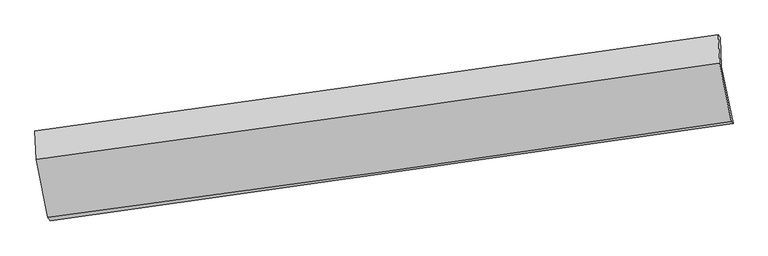
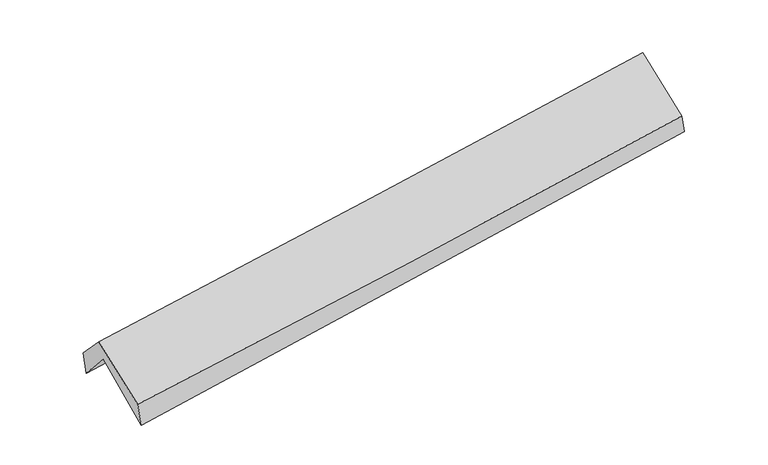
"""IFC4 building model written with IfcOpenShell, lengths in millimetres: proxy geometry."""

from ifc_helpers import new_model, si_unit, frame, origin, place, context, project, spatial, source, transform, mapped, element, save
from ifc_brep_helpers import plane_surface, spline_curve, spline_surface, advanced_brep


def generic_models_cba966a0(model_context):
    return source(origin(), model_context, "Body", "AdvancedBrep", [
        advanced_brep(
        [(-2907.5320749, -2506.4644151, 1426.2352625), (-3010.3695418, -2015.4171059, 1877.2115868), (2951.3201558, -1157.3660527, 2390.0198549), (3054.0675004, -1658.0732577, 1957.0136665), (-3022.6211865, -1746.1379171, 1563.8113808), (2941.0638548, -905.0872773, 2080.8851411), (-3042.2447923, -1721.4948078, 1770.1532422), (2925.6550279, -880.3422167, 2233.5121002), (-3029.0486032, -1970.5821941, 2036.3859723), (2937.2840016, -1128.7238065, 2518.4227084), (-2928.5691164, -2475.9202631, 1640.2526901), (3038.7960567, -1638.9838503, 2117.7464281)],
        [
            (0, 1),
            (1, 2, spline_curve(3, [(-3010.3695418, -2015.4171059, 1877.2115868), (-2017.05156653, -1868.706646759, 1960.106149512), (-1023.58902554, -1723.847712213, 2044.287105584), (963.640868828, -1437.83063619, 2215.223154494), (1957.408227181, -1296.672552633, 2301.97828744), (2951.3201558, -1157.3660527, 2390.0198549)], [4, 2, 4], [0.0, 9.916185199486499, 19.832526900004172])),
            (2, 3),
            (3, 0, spline_curve(3, [(3054.0675004, -1658.0732577, 1957.0136665), (2060.677191187, -1801.604927048, 1869.705640254), (1067.178150911, -1944.070574358, 1781.819740149), (-920.021711061, -2226.867593054, 1604.893587198), (-1913.722529209, -2367.198998389, 1515.853352785), (-2907.5320749, -2506.4644151, 1426.2352625)], [4, 2, 4], [0.0, 9.916341700517673, 19.832526900004172])),
            (1, 4),
            (4, 5, spline_curve(3, [(-3022.6211865, -1746.1379171, 1563.8113808), (-2028.576957453, -1602.050423611, 1642.049478504), (-1034.585010525, -1459.919661077, 1724.257636089), (953.310004662, -1179.569386043, 1896.615431008), (1947.213071963, -1041.349935269, 1986.765193295), (2941.0638548, -905.0872773, 2080.8851411)], [4, 2, 4], [0.0, 9.916119767478085, 19.83239603495467])),
            (5, 2),
            (4, 6),
            (6, 7, spline_curve(3, [(-3042.2447923, -1721.4948078, 1770.1532422), (-2046.282518949, -1582.877423016, 1833.555499635), (-1050.980316376, -1443.473241003, 1903.869507156), (938.319644399, -1163.089068649, 2058.32224145), (1932.317382135, -1022.109053895, 2142.461186689), (2925.6550279, -880.3422167, 2233.5121002)], [4, 2, 4], [0.0, 9.915920590863664, 19.831997678582347])),
            (7, 5),
            (6, 8),
            (8, 9, spline_curve(3, [(-3029.0486032, -1970.5821941, 2036.3859723), (-2033.689294103, -1835.470207494, 2113.552871783), (-1038.819175056, -1697.75992244, 2192.305719714), (949.958375157, -1417.140542156, 2352.984582024), (1943.86579146, -1274.231364496, 2434.910645601), (2937.2840016, -1128.7238065, 2518.4227084)], [4, 2, 4], [0.0, 9.915824390145142, 19.831805275627026])),
            (9, 7),
            (8, 10),
            (10, 11, spline_curve(3, [(-2928.5691164, -2475.9202631, 1640.2526901), (-1932.208818071, -2345.705680218, 1713.234921222), (-936.752154794, -2210.854274702, 1789.516841432), (1052.369598211, -1931.875616842, 1948.681316555), (2046.034659303, -1787.748218065, 2031.563975496), (3038.7960567, -1638.9838503, 2117.7464281)], [4, 2, 4], [0.0, 9.915833360221189, 19.83182321592069])),
            (11, 9),
            (10, 0),
            (3, 11),
        ],
        [
            spline_surface(3, 3, [[(-2907.5320749, -2506.4644151, 1426.2352625), (-1913.722529051, -2367.198998334, 1515.853352853), (-920.021711018, -2226.867593117, 1604.893587215), (1067.178150869, -1944.070574295, 1781.819740132), (2060.677191226, -1801.604927052, 1869.705640415), (3054.0675004, -1658.0732577, 1957.0136665)], [(-2941.811230523, -2342.78197872, 1576.560703933), (-1948.165541545, -2201.034881142, 1663.93761836), (-954.544149237, -2059.194299521, 1751.358093355), (1032.665723571, -1775.323928244, 1926.287544896), (2026.254203238, -1633.294135645, 2013.796522784), (3019.818385534, -1491.170856045, 2101.349062648)], [(-2976.090386177, -2179.09954228, 1726.886145367), (-1982.608554071, -2034.870763888, 1812.02188387), (-989.066587462, -1891.521005891, 1897.822599505), (998.153296267, -1606.577282159, 2070.75534967), (1991.831215247, -1464.983344202, 2157.88740511), (2985.569270666, -1324.268454355, 2245.684458752)], [(-3010.3695418, -2015.4171059, 1877.2115868), (-2017.051566565, -1868.706646695, 1960.106149378), (-1023.589025681, -1723.847712295, 2044.287105645), (963.640868969, -1437.830636107, 2215.223154433), (1957.40822726, -1296.672552796, 2301.97828748), (2951.3201558, -1157.3660527, 2390.0198549)]], [4, 4], [4, 2, 4], [0.0, 2.215035990442014], [0.0, 9.916185199486499, 19.832526900004172]),
            spline_surface(3, 3, [[(-3010.3695418, -2015.4171059, 1877.2115868), (-2017.051566565, -1868.706646695, 1960.106149378), (-1023.589025681, -1723.847712295, 2044.287105645), (963.640868969, -1437.830636107, 2215.223154433), (1957.40822726, -1296.672552796, 2301.97828748), (2951.3201558, -1157.3660527, 2390.0198549)], [(-3014.453423348, -1925.657376286, 1772.744851479), (-2020.893363488, -1779.821238958, 1854.08725912), (-1027.254354, -1635.871695198, 1937.610615818), (960.197247564, -1351.743552724, 2109.020579943), (1954.009842096, -1211.565013593, 2196.907256132), (2947.901388785, -1073.273127548, 2286.974950299)], [(-3018.537304952, -1835.897646714, 1668.278116121), (-2024.735160467, -1690.935831263, 1748.068368824), (-1030.91968231, -1547.89567818, 1830.934125977), (956.75362617, -1265.65646942, 2002.818005438), (1950.611456978, -1126.457474446, 2091.836224787), (2944.482621815, -989.180202452, 2183.930045701)], [(-3022.6211865, -1746.1379171, 1563.8113808), (-2028.576957391, -1602.050423526, 1642.049478567), (-1034.58501063, -1459.919661083, 1724.25763615), (953.310004766, -1179.569386037, 1896.615430947), (1947.213071814, -1041.349935243, 1986.765193439), (2941.0638548, -905.0872773, 2080.8851411)]], [4, 4], [4, 2, 4], [0.0, 1.3537131082350176], [0.0, 9.916119767478085, 19.83239603495467]),
            spline_surface(3, 3, [[(-3022.6211865, -1746.1379171, 1563.8113808), (-2028.576957391, -1602.050423526, 1642.049478567), (-1034.58501063, -1459.919661083, 1724.25763615), (953.310004766, -1179.569386037, 1896.615430947), (1947.213071814, -1041.349935243, 1986.765193439), (2941.0638548, -905.0872773, 2080.8851411)], [(-3029.162388454, -1737.923547344, 1632.592001262), (-2034.478811246, -1595.659423406, 1705.884818874), (-1040.050112567, -1454.437521038, 1784.128259797), (948.313218, -1174.075946932, 1950.517701165), (1942.247841906, -1034.936308136, 2038.66385784), (2935.927579174, -896.838923764, 2131.760794131)], [(-3035.703590346, -1729.709177556, 1701.372621738), (-2040.380665038, -1589.268423253, 1769.720159194), (-1045.515214506, -1448.955380984, 1843.998883401), (943.316431232, -1168.582507818, 2004.419971341), (1937.282611976, -1028.522681037, 2090.56252225), (2930.791303526, -888.590570236, 2182.636447169)], [(-3042.2447923, -1721.4948078, 1770.1532422), (-2046.282518894, -1582.877423133, 1833.555499501), (-1050.980316443, -1443.473240939, 1903.869507048), (938.319644466, -1163.089068713, 2058.322241559), (1932.317382068, -1022.10905393, 2142.461186651), (2925.6550279, -880.3422167, 2233.5121002)]], [4, 4], [4, 2, 4], [0.0, 0.5648561130781654], [0.0, 9.915920590863664, 19.831997678582347]),
            spline_surface(3, 3, [[(-3042.2447923, -1721.4948078, 1770.1532422), (-2046.282518894, -1582.877423133, 1833.555499501), (-1050.980316443, -1443.473240939, 1903.869507048), (938.319644466, -1163.089068713, 2058.322241559), (1932.317382068, -1022.10905393, 2142.461186651), (2925.6550279, -880.3422167, 2233.5121002)], [(-3037.846062588, -1804.523936542, 1858.897485572), (-2042.084777241, -1667.075017875, 1926.887956887), (-1046.926602687, -1528.235468146, 2000.014911304), (942.199221379, -1247.77289316, 2156.54302164), (1936.166851833, -1106.149824094, 2239.944339651), (2929.531352477, -963.136079986, 2328.482302938)], [(-3033.447332912, -1887.553065358, 1947.641728928), (-2037.887035623, -1751.272612689, 2020.220414259), (-1042.872888896, -1612.997695343, 2096.160315619), (946.078798327, -1332.456717599, 2254.763801781), (1940.016321567, -1190.1905942, 2337.427492637), (2933.407677023, -1045.929943214, 2423.452505662)], [(-3029.0486032, -1970.5821941, 2036.3859723), (-2033.68929397, -1835.470207431, 2113.552871645), (-1038.81917514, -1697.75992255, 2192.305719875), (949.95837524, -1417.140542047, 2352.984581862), (1943.865791332, -1274.231364364, 2434.910645637), (2937.2840016, -1128.7238065, 2518.4227084)]], [4, 4], [4, 2, 4], [0.0, 1.26958133966007], [0.0, 9.915824390145142, 19.831805275627026]),
            spline_surface(3, 3, [[(-3029.0486032, -1970.5821941, 2036.3859723), (-2033.68929397, -1835.470207431, 2113.552871645), (-1038.81917514, -1697.75992255, 2192.305719875), (949.95837524, -1417.140542047, 2352.984581862), (1943.865791332, -1274.231364364, 2434.910645637), (2937.2840016, -1128.7238065, 2518.4227084)], [(-2995.555440935, -2139.028217122, 1904.341544913), (-1999.862468653, -2005.548698396, 1980.113554812), (-1004.796834982, -1868.79137329, 2058.042760413), (984.095449565, -1588.718900318, 2218.216826795), (1977.922080623, -1445.403648942, 2300.461755626), (2971.121353286, -1298.810487767, 2384.863948293)], [(-2962.062278665, -2307.474240078, 1772.297117487), (-1966.035643333, -2175.627189295, 1846.674237938), (-970.774494891, -2039.822823987, 1923.77980087), (1018.232523825, -1760.297258545, 2083.449071647), (2011.978369957, -1616.575933517, 2166.012865635), (3004.958705014, -1468.897169033, 2251.305188207)], [(-2928.5691164, -2475.9202631, 1640.2526901), (-1932.208818016, -2345.70568026, 1713.234921105), (-936.752154733, -2210.854274728, 1789.516841408), (1052.36959815, -1931.875616816, 1948.68131658), (2046.034659247, -1787.748218094, 2031.563975623), (3038.7960567, -1638.9838503, 2117.7464281)]], [4, 4], [4, 2, 4], [0.0, 2.1698499481115876], [0.0, 9.915833360221189, 19.83182321592069]),
            spline_surface(3, 3, [[(-2928.5691164, -2475.9202631, 1640.2526901), (-1932.208818016, -2345.70568026, 1713.234921105), (-936.752154733, -2210.854274728, 1789.516841408), (1052.36959815, -1931.875616816, 1948.68131658), (2046.034659247, -1787.748218094, 2031.563975623), (3038.7960567, -1638.9838503, 2117.7464281)], [(-2921.556769252, -2486.101647085, 1568.913547541), (-1926.046721713, -2352.870119603, 1647.441064995), (-931.175340171, -2216.192047518, 1727.975756654), (1057.30578238, -1935.940602637, 1893.060791075), (2050.915503251, -1792.367121069, 1977.611197212), (3043.886537944, -1645.346986089, 2064.168840892)], [(-2914.544422048, -2496.283031115, 1497.574405059), (-1919.884625354, -2360.034558991, 1581.647208963), (-925.59852558, -2221.529820326, 1666.434671968), (1062.241966639, -1940.005588475, 1837.440265637), (2055.796347222, -1796.986024077, 1923.658418826), (3048.977019156, -1651.710121911, 2010.591253708)], [(-2907.5320749, -2506.4644151, 1426.2352625), (-1913.722529051, -2367.198998334, 1515.853352853), (-920.021711018, -2226.867593117, 1604.893587215), (1067.178150869, -1944.070574295, 1781.819740132), (2060.677191226, -1801.604927052, 1869.705640415), (3054.0675004, -1658.0732577, 1957.0136665)]], [4, 4], [4, 2, 4], [0.0, 0.5807452662227165], [0.0, 9.915947618303655, 19.832051733888886]),
            plane_surface(frame((2974.6977662, -1228.0960769, 2216.2666499), z_axis=(0.9877293485728185, 0.13544046993015782, 0.07775997089128772), x_axis=(0.15458681773748525, -0.7770454094899869, -0.6101666554084515))),
            plane_surface(frame((-2990.0642192, -2072.6694505, 1719.0083558), z_axis=(-0.9877293485729858, -0.13544046992553316, -0.07775997089721517), x_axis=(-0.09685241922719809, 0.1406221981288987, 0.9853146737379058))),
        ],
        [
            (0, [[1, 2, 3, 4]]),
            (1, [[5, 6, 7, -2]]),
            (2, [[8, 9, 10, -6]]),
            (3, [[11, 12, 13, -9]]),
            (4, [[14, 15, 16, -12]]),
            (5, [[17, -4, 18, -15]]),
            (6, [[-16, -18, -3, -7, -10, -13]]),
            (7, [[-17, -14, -11, -8, -5, -1]]),
        ],
    ),
    ])


if __name__ == "__main__":
    model = new_model("IFC4")
    model_context = context("Model", 3, world=origin())
    ifc_project = project(units=[si_unit("LENGTHUNIT", "METRE", prefix="MILLI")], contexts=[model_context])
    site = spatial("IfcSite", under=ifc_project)
    building = spatial("IfcBuilding", under=site)
    placement = place(None, origin())
    generic_models_shape = generic_models_cba966a0(model_context)
    element("IfcBuildingElementProxy", 1, Name="Generic Models", at=placement, inside=building, context=model_context, shape_type="MappedRepresentation", body=[
        mapped(generic_models_shape, transform((0.0, 0.0, 0.0), x_axis=(1.0, 0.0, 0.0), y_axis=(0.0, 1.0, 0.0), z_axis=(0.0, 0.0, 1.0))),
    ])
    save(model, "model.ifc")
